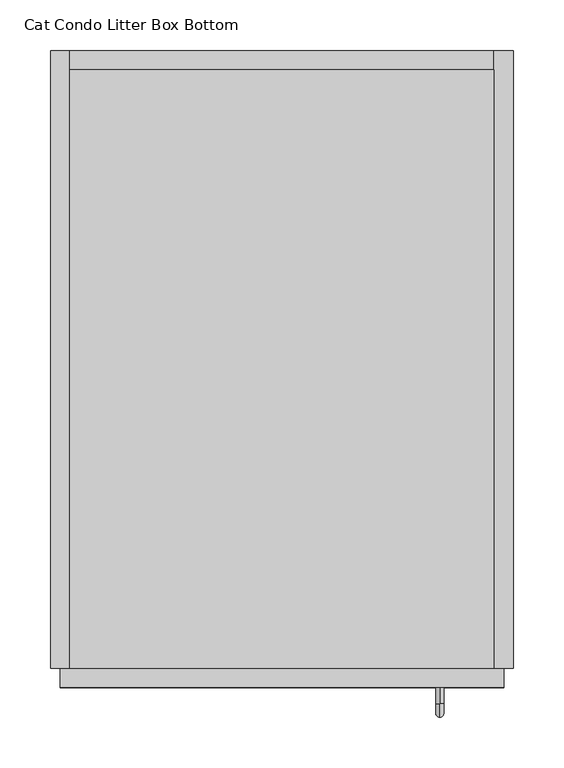
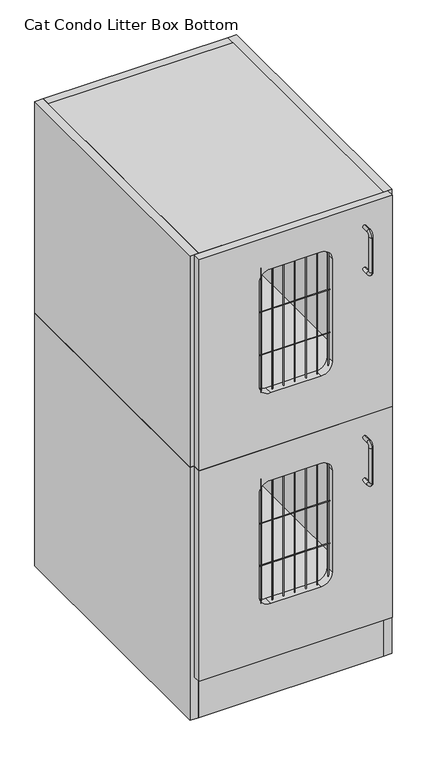
"""IFC4 building model written with IfcOpenShell, lengths in millimetres: proxy geometry, Cat Condo Litter Box Bottom."""

import ifcopenshell
import ifcopenshell.guid

model = None  # the IFC model being written
_history = None  # IfcOwnerHistory: only IFC2X3 demands one
_inside = {}  # id of a spatial element -> (the spatial element, [elements in it])
_under = {}  # id of a project, library or spatial element -> (it, [spatial elements below it])
_declared = {}  # id of a project -> (the project, [libraries it declares])
_typed = {}  # id of a type object -> (the type object, [elements of that type])
_made_of = {}  # id of a material, layer set ... -> (it, [elements and type objects made of it])


def new_model(schema):
    """Start an empty IFC model of exactly this schema.

    Asked for "IFC4X3", IfcOpenShell would pick the latest addendum, in which some entities
    have other attributes; the version numbers below select the first issue.
    IFC2X3 requires an IfcOwnerHistory on every rooted entity: one is made here for all.
    """
    global model, _history
    if schema == "IFC4X3":
        model = ifcopenshell.file(schema_version=(4, 3, 0, 0))
    else:
        model = ifcopenshell.file(schema=schema)
    _inside.clear()
    _under.clear()
    _declared.clear()
    _typed.clear()
    _made_of.clear()
    _history = None
    if model.schema == "IFC2X3":
        org = make("IfcOrganization", Name="unknown")
        user = make(
            "IfcPersonAndOrganization",
            ThePerson=make("IfcPerson", FamilyName="unknown"),
            TheOrganization=org,
        )
        app = make(
            "IfcApplication",
            ApplicationDeveloper=org,
            Version="unknown",
            ApplicationFullName="unknown",
            ApplicationIdentifier="unknown",
        )
        _history = make(
            "IfcOwnerHistory",
            OwningUser=user,
            OwningApplication=app,
            ChangeAction="ADDED",
            CreationDate=0,
        )
    return model


def make(cls, **values):
    """One entity of the class cls with the attributes given. An attribute that is None is left unset."""
    return model.create_entity(
        cls, **{name: value for name, value in values.items() if value is not None}
    )


def rooted(cls, **values):
    """An entity with a GlobalId (a new one), such as an element, a storey or a relation."""
    return make(cls, GlobalId=ifcopenshell.guid.new(), OwnerHistory=_history, **values)


def si_unit(unit_type, name, prefix=None):
    """IfcSIUnit, for example si_unit("LENGTHUNIT", "METRE", prefix="MILLI")."""
    return make("IfcSIUnit", UnitType=unit_type, Prefix=prefix, Name=name)


def assignment(units):
    """IfcUnitAssignment: the units of a project."""
    return None if units is None else make("IfcUnitAssignment", Units=units)


def point(xyz):
    """IfcCartesianPoint."""
    return None if xyz is None else make("IfcCartesianPoint", Coordinates=xyz)


def direction(xyz):
    """IfcDirection."""
    return None if xyz is None else make("IfcDirection", DirectionRatios=xyz)


def frame(location, z_axis=None, x_axis=None):
    """IfcAxis2Placement3D, a coordinate frame: its origin and axes. An axis left out is left unset."""
    return make(
        "IfcAxis2Placement3D",
        Location=point(location),
        Axis=direction(z_axis),
        RefDirection=direction(x_axis),
    )


def frame_2d(location, x_axis=None):
    """IfcAxis2Placement2D, a coordinate frame in the plane: its origin and x axis."""
    return make(
        "IfcAxis2Placement2D", Location=point(location), RefDirection=direction(x_axis)
    )


def origin():
    """The frame at (0, 0, 0) with its axes left unset."""
    return frame((0.0, 0.0, 0.0))


def origin_with_axes():
    """The frame at (0, 0, 0) with the z axis (0, 0, 1) and the x axis (1, 0, 0) written out."""
    return frame((0.0, 0.0, 0.0), z_axis=(0.0, 0.0, 1.0), x_axis=(1.0, 0.0, 0.0))


def place(relative_to, where):
    """IfcLocalPlacement: puts the frame where relative to a parent placement (None: the world)."""
    return make(
        "IfcLocalPlacement", PlacementRelTo=relative_to, RelativePlacement=where
    )


def context(
    kind, dimensions, precision=None, world=None, true_north=None, identifier=None
):
    """IfcGeometricRepresentationContext, for example the 3D "Model" context."""
    return make(
        "IfcGeometricRepresentationContext",
        ContextIdentifier=identifier,
        ContextType=kind,
        CoordinateSpaceDimension=dimensions,
        Precision=precision,
        WorldCoordinateSystem=world,
        TrueNorth=true_north,
    )


def project(units=None, contexts=None):
    """IfcProject with its units and contexts."""
    return rooted(
        "IfcProject",
        Name="project",
        RepresentationContexts=contexts,
        UnitsInContext=assignment(units),
    )


def spatial(cls, under=None, at=None, **own):
    """A site, building, storey or space (cls), placed at a placement, below another one or the project."""
    s = rooted(cls, ObjectPlacement=at, **own)
    if under is not None:
        _under.setdefault(under.id(), (under, []))[1].append(s)
    return s


def polyline(points):
    """IfcPolyline through the points."""
    return make("IfcPolyline", Points=[point(p) for p in points])


def circle_curve(where, radius):
    """IfcCircle in the frame where."""
    return make("IfcCircle", Position=where, Radius=radius)


def ellipse_curve(where, semi_axis1, semi_axis2):
    """IfcEllipse in the frame where."""
    return make(
        "IfcEllipse", Position=where, SemiAxis1=semi_axis1, SemiAxis2=semi_axis2
    )


def trimmed(basis, trim1, trim2, sense, master):
    """IfcTrimmedCurve: the piece of a basis curve between two trims."""
    return make(
        "IfcTrimmedCurve",
        BasisCurve=basis,
        Trim1=trim1,
        Trim2=trim2,
        SenseAgreement=sense,
        MasterRepresentation=master,
    )


def segment(curve, same_sense, transition):
    """IfcCompositeCurveSegment."""
    return make(
        "IfcCompositeCurveSegment",
        Transition=transition,
        SameSense=same_sense,
        ParentCurve=curve,
    )


def composite_curve(segments, self_intersect=None):
    """IfcCompositeCurve: segments joined end to end."""
    return make("IfcCompositeCurve", Segments=segments, SelfIntersect=self_intersect)


def outline(outer, holes=None, kind="AREA"):
    """IfcArbitraryClosedProfileDef: a profile drawn as a closed curve; with holes, ...WithVoids."""
    if holes is None:
        return make("IfcArbitraryClosedProfileDef", ProfileType=kind, OuterCurve=outer)
    return make(
        "IfcArbitraryProfileDefWithVoids",
        ProfileType=kind,
        OuterCurve=outer,
        InnerCurves=holes,
    )


def extrude(swept, where, along, depth):
    """IfcExtrudedAreaSolid: the profile swept, set in the frame where, extruded along a direction by depth."""
    return make(
        "IfcExtrudedAreaSolid",
        SweptArea=swept,
        Position=where,
        ExtrudedDirection=direction(along),
        Depth=depth,
    )


def shape(context_of_items, identifier, shape_type, items):
    """IfcShapeRepresentation: the items that make up one representation, for example the "Body"."""
    return make(
        "IfcShapeRepresentation",
        ContextOfItems=context_of_items,
        RepresentationIdentifier=identifier,
        RepresentationType=shape_type,
        Items=items,
    )


def source(mapping_origin, context_of_items, identifier, shape_type, items):
    """IfcRepresentationMap: a shape defined once, which mapped items show again and again."""
    return make(
        "IfcRepresentationMap",
        MappingOrigin=mapping_origin,
        MappedRepresentation=shape(context_of_items, identifier, shape_type, items),
    )


def transform(
    local_origin,
    x_axis=None,
    y_axis=None,
    z_axis=None,
    scale=None,
    scale2=None,
    scale3=None,
    uniform=True,
):
    """IfcCartesianTransformationOperator3D, or its non-uniform kind. x_axis, y_axis, z_axis: its Axis1, 2, 3."""
    if uniform:
        return make(
            "IfcCartesianTransformationOperator3D",
            Axis1=direction(x_axis),
            Axis2=direction(y_axis),
            LocalOrigin=point(local_origin),
            Scale=scale,
            Axis3=direction(z_axis),
        )
    return make(
        "IfcCartesianTransformationOperator3DnonUniform",
        Axis1=direction(x_axis),
        Axis2=direction(y_axis),
        LocalOrigin=point(local_origin),
        Scale=scale,
        Axis3=direction(z_axis),
        Scale2=scale2,
        Scale3=scale3,
    )


def mapped(mapping_source, mapping_target):
    """IfcMappedItem: shows the shape of a source again, moved by a transform."""
    return make(
        "IfcMappedItem", MappingSource=mapping_source, MappingTarget=mapping_target
    )


def made_of(thing, what):
    """Note that an element or type object is made of a material, layer set ...; save() writes the relation."""
    if what is not None:
        _made_of.setdefault(what.id(), (what, []))[1].append(thing)
    return thing


def element(
    cls,
    number,
    at=None,
    inside=None,
    cuts=None,
    type_object=None,
    material=None,
    context=None,
    identifier="Body",
    shape_type=None,
    held_by="IfcProductDefinitionShape",
    body=None,
    shapes=None,
    **own,
):
    """One element of the class cls, such as IfcWall. Its Tag is "e" and its number.

    at: its placement. inside: the storey or other place that contains it. cuts: it is an
    opening in that element (IfcRelVoidsElement). A single representation is given by context,
    identifier, shape_type and body (its items); several are given by shapes. held_by: the class
    of the entity that holds the representations. save() writes the other relations.
    """
    e = rooted(cls, Tag="e%d" % number, ObjectPlacement=at, **own)
    if body is not None:
        shapes = [shape(context, identifier, shape_type, body)]
    if shapes is not None:
        e.Representation = make(held_by, Representations=shapes)
    if inside is not None:
        _inside.setdefault(inside.id(), (inside, []))[1].append(e)
    if cuts is not None:
        rooted(
            "IfcRelVoidsElement", RelatingBuildingElement=cuts, RelatedOpeningElement=e
        )
    if type_object is not None:
        _typed.setdefault(type_object.id(), (type_object, []))[1].append(e)
    return made_of(e, material)


def aggregate(whole, parts):
    """IfcRelAggregates: a whole, such as a stair, and the parts it consists of."""
    return rooted("IfcRelAggregates", RelatingObject=whole, RelatedObjects=parts)


def save(model, path):
    """Write the relations noted so far, then the file.

    IfcRelAggregates (storeys below a building ...), IfcRelContainedInSpatialStructure (elements
    in a storey), IfcRelDefinesByType, IfcRelAssociatesMaterial and IfcRelDeclares: one each for
    every whole, place, type object, material and project.
    """
    for whole, parts in _under.values():
        aggregate(whole, parts)
    for where, things in _inside.values():
        rooted(
            "IfcRelContainedInSpatialStructure",
            RelatedElements=things,
            RelatingStructure=where,
        )
    for kind, things in _typed.values():
        rooted("IfcRelDefinesByType", RelatedObjects=things, RelatingType=kind)
    for what, things in _made_of.values():
        rooted("IfcRelAssociatesMaterial", RelatedObjects=things, RelatingMaterial=what)
    for by, libraries in _declared.values():
        rooted("IfcRelDeclares", RelatingContext=by, RelatedDefinitions=libraries)
    model.write(path)


def plane_surface(at):
    """IfcPlane: the flat surface through the origin of the frame at, square to its z axis."""
    return make("IfcPlane", Position=at)


def cylinder_surface(at, radius):
    """IfcCylindricalSurface: all points at the distance radius from the z axis of the frame at."""
    return make("IfcCylindricalSurface", Position=at, Radius=radius)


def revolved_surface(curve, axis_point, axis_direction):
    """IfcSurfaceOfRevolution: the curve turned about the line through axis_point along axis_direction."""
    return make(
        "IfcSurfaceOfRevolution",
        SweptCurve=make("IfcArbitraryOpenProfileDef", ProfileType="CURVE", Curve=curve),
        AxisPosition=make("IfcAxis1Placement", Location=point(axis_point), Axis=direction(axis_direction)),
    )


def advanced_brep(points, edges, surfaces, faces):
    """IfcAdvancedBrep: a solid bounded by faces that lie on surfaces and meet in shared edges.

    An edge is (start, end): straight between two places in points (the first is 0);
    or (start, end, curve); or (start, end, curve, False) where it runs against its curve.
    A face is (place in surfaces, loops), or (place, loops, False) where it looks against
    its surface's normal. A loop lists edges by number (the first is 1), with a minus sign
    where the edge is run from its end to its start. The first loop is the outer one.
    """
    corners = [point(p) for p in points]
    vertices = [make("IfcVertexPoint", VertexGeometry=c) for c in corners]
    made = []
    for start, end, *more in edges:
        made.append(
            make(
                "IfcEdgeCurve",
                EdgeStart=vertices[start],
                EdgeEnd=vertices[end],
                EdgeGeometry=more[0] if more else make("IfcPolyline", Points=[corners[start], corners[end]]),
                SameSense=more[1] if len(more) > 1 else True,
            )
        )
    hull = []
    for where, loops, *sense in faces:
        bounds = []
        for j, loop in enumerate(loops):
            ring = [make("IfcOrientedEdge", EdgeElement=made[abs(k) - 1], Orientation=k > 0) for k in loop]
            bounds.append(
                make(
                    "IfcFaceOuterBound" if j == 0 else "IfcFaceBound",
                    Bound=make("IfcEdgeLoop", EdgeList=ring),
                    Orientation=True,
                )
            )
        hull.append(make("IfcAdvancedFace", Bounds=bounds, FaceSurface=surfaces[where], SameSense=sense[0] if sense else True))
    return make("IfcAdvancedBrep", Outer=make("IfcClosedShell", CfsFaces=hull))


def cat_condo_litter_box_bottom_16cf5094(model_context):
    return source(origin(), model_context, "Body", "SolidModel", [
        advanced_brep(
        [(384.5819084, -19.05, 551.6993154), (384.5819084, -19.05, 559.5506846), (384.5819084, -35.2117768, 551.6993154), (384.5819084, -35.2117768, 559.5506846), (384.5819084, -48.3756846, 546.3867768), (384.5819084, -40.5243154, 546.3867768), (384.5819084, -40.5243154, 463.2632232), (384.5819084, -48.3756846, 463.2632232), (384.5819084, -35.2117768, 450.0993154), (384.5819084, -35.2117768, 457.9506846), (384.5819084, -19.05, 457.9506846), (384.5819084, -19.05, 450.0993154)],
        [
            (0, 1, circle_curve(frame((384.5819084, -19.05, 555.625), z_axis=(0.0, 1.0, 0.0), x_axis=(0.0, 0.0, 1.0)), 3.9256846)),
            (1, 0, circle_curve(frame((384.5819084, -19.05, 555.625), z_axis=(0.0, 1.0, 0.0), x_axis=(0.0, 0.0, 1.0)), 3.9256846)),
            (0, 2),
            (2, 3, circle_curve(frame((384.5819084, -35.2117768, 555.625), z_axis=(0.0, 1.0, 0.0), x_axis=(0.0, 0.0, 1.0)), 3.9256846)),
            (3, 1),
            (3, 2, circle_curve(frame((384.5819084, -35.2117768, 555.625), z_axis=(0.0, 1.0, 0.0), x_axis=(0.0, 0.0, 1.0)), 3.9256846)),
            (4, 3, circle_curve(frame((384.5819084, -35.2117768, 546.3867768), z_axis=(-1.0, 0.0, 0.0), x_axis=(0.0, 0.0, 1.0)), 13.1639078)),
            (2, 5, circle_curve(frame((384.5819084, -35.2117768, 546.3867768), z_axis=(1.0, 0.0, 0.0), x_axis=(0.0, 0.0, 1.0)), 5.3125387)),
            (5, 4, circle_curve(frame((384.5819084, -44.45, 546.3867768), z_axis=(0.0, 0.0, 1.0), x_axis=(0.0, -1.0000000000000002, 0.0)), 3.9256846)),
            (4, 5, circle_curve(frame((384.5819084, -44.45, 546.3867768), z_axis=(0.0, 0.0, 1.0), x_axis=(0.0, -1.0000000000000002, 0.0)), 3.9256846)),
            (5, 6),
            (6, 7, circle_curve(frame((384.5819084, -44.45, 463.2632232), z_axis=(0.0, 0.0, 1.0), x_axis=(0.0, -1.0000000000000002, 0.0)), 3.9256846)),
            (7, 4),
            (7, 6, circle_curve(frame((384.5819084, -44.45, 463.2632232), z_axis=(0.0, 0.0, 1.0), x_axis=(0.0, -1.0000000000000002, 0.0)), 3.9256846)),
            (8, 7, circle_curve(frame((384.5819084, -35.2117768, 463.2632232), z_axis=(-1.0, 0.0, 0.0), x_axis=(0.0, -1.0000000000000002, 0.0)), 13.1639078)),
            (6, 9, circle_curve(frame((384.5819084, -35.2117768, 463.2632232), z_axis=(1.0, 0.0, 0.0), x_axis=(0.0, -1.0000000000000002, 0.0)), 5.3125387)),
            (9, 8, circle_curve(frame((384.5819084, -35.2117768, 454.025), z_axis=(0.0, -1.0000000000000002, 0.0), x_axis=(0.0, 0.0, -1.0)), 3.9256846)),
            (8, 9, circle_curve(frame((384.5819084, -35.2117768, 454.025), z_axis=(0.0, -1.0000000000000002, 0.0), x_axis=(0.0, 0.0, -1.0)), 3.9256846)),
            (10, 11, circle_curve(frame((384.5819084, -19.05, 454.025), z_axis=(0.0, 1.0, 0.0), x_axis=(0.0, 0.0, -1.0)), 3.9256846)),
            (11, 10, circle_curve(frame((384.5819084, -19.05, 454.025), z_axis=(0.0, 1.0, 0.0), x_axis=(0.0, 0.0, -1.0)), 3.9256846)),
            (9, 10),
            (11, 8),
        ],
        [
            plane_surface(frame((384.5819084, -19.05, 555.625), z_axis=(0.0, 1.0, 0.0), x_axis=(1.0, 0.0, 0.0))),
            cylinder_surface(frame((384.5819084, -19.05, 555.625), z_axis=(0.0, 1.0000000000000002, 0.0), x_axis=(0.0, 0.0, 1.0)), 3.9256846),
            revolved_surface(trimmed(ellipse_curve(frame((384.5819084, -35.2117768, 555.625), z_axis=(0.0, 1.0000000000000002, 0.0), x_axis=(0.0, 0.0, 1.0)), 3.9256846, 3.9256846), [point((384.5819084, -35.2117768, 551.6993154))], [point((384.5819084, -35.2117768, 559.5506846))], True, "CARTESIAN"), (384.5819084, -35.2117768, 546.3867768), (1.0000000000000002, 0.0, 0.0)),
            revolved_surface(trimmed(ellipse_curve(frame((384.5819084, -35.2117768, 555.625), z_axis=(0.0, 1.0000000000000002, 0.0), x_axis=(0.0, 0.0, 1.0)), 3.9256846, 3.9256846), [point((384.5819084, -35.2117768, 559.5506846))], [point((384.5819084, -35.2117768, 551.6993154))], True, "CARTESIAN"), (384.5819084, -35.2117768, 546.3867768), (1.0000000000000002, 0.0, 0.0)),
            cylinder_surface(frame((384.5819084, -44.45, 546.3867768), z_axis=(0.0, 0.0, 1.0), x_axis=(0.0, -1.0000000000000002, 0.0)), 3.9256846),
            revolved_surface(trimmed(ellipse_curve(frame((384.5819084, -44.45, 463.2632232), z_axis=(0.0, 0.0, 1.0), x_axis=(0.0, -1.0000000000000002, 0.0)), 3.9256846, 3.9256846), [point((384.5819084, -40.5243154, 463.2632232))], [point((384.5819084, -48.3756846, 463.2632232))], True, "CARTESIAN"), (384.5819084, -35.2117768, 463.2632232), (1.0000000000000002, 0.0, 0.0)),
            revolved_surface(trimmed(ellipse_curve(frame((384.5819084, -44.45, 463.2632232), z_axis=(0.0, 0.0, 1.0), x_axis=(0.0, -1.0000000000000002, 0.0)), 3.9256846, 3.9256846), [point((384.5819084, -48.3756846, 463.2632232))], [point((384.5819084, -40.5243154, 463.2632232))], True, "CARTESIAN"), (384.5819084, -35.2117768, 463.2632232), (1.0000000000000002, 0.0, 0.0)),
            plane_surface(frame((384.5819084, -19.05, 454.025), z_axis=(0.0, 1.0, 0.0), x_axis=(1.0, 0.0, 0.0))),
            cylinder_surface(frame((384.5819084, -35.2117768, 454.025), z_axis=(0.0, -1.0000000000000002, 0.0), x_axis=(0.0, 0.0, -1.0)), 3.9256846),
        ],
        [
            (0, [[1, 2]]),
            (1, [[-1, 3, 4, 5]]),
            (1, [[-2, -5, 6, -3]]),
            (2, [[7, -4, 8, 9]]),
            (3, [[-8, -6, -7, 10]]),
            (4, [[-9, 11, 12, 13]]),
            (4, [[-10, -13, 14, -11]]),
            (5, [[15, -12, 16, 17]]),
            (6, [[-16, -14, -15, 18]]),
            (7, [[19, 20]]),
            (8, [[-17, 21, -20, 22]]),
            (8, [[-18, -22, -19, -21]]),
        ],
    ),
        extrude(outline(polyline([(438.15, 590.55), (438.15, 0.0), (19.05, 0.0), (19.05, 590.55), (438.15, 590.55)])), frame((0.0, 0.0, 587.375), z_axis=(0.0, 0.0, 1.0), x_axis=(1.0, 0.0, 0.0)), (0.0, 0.0, 1.0), 19.05),
        extrude(outline(polyline([(438.15, 0.0), (19.05, 0.0), (19.05, 590.55), (438.15, 590.55), (438.15, 0.0)])), frame((0.0, 0.0, 101.6), z_axis=(0.0, 0.0, 1.0), x_axis=(1.0, 0.0, 0.0)), (0.0, 0.0, 1.0), 19.05),
        extrude(outline(polyline([(438.15, 19.05), (438.15, 0.0), (19.05, 0.0), (19.05, 19.05), (438.15, 19.05)])), origin_with_axes(), (0.0, 0.0, 1.0), 101.6),
        extrude(outline(polyline([(438.15, 609.6), (457.2, 609.6), (457.2, 0.0), (438.15, 0.0), (438.15, 609.6)])), origin_with_axes(), (0.0, 0.0, 1.0), 606.425),
        extrude(outline(polyline([(438.15, 609.6), (438.15, 590.55), (19.05, 590.55), (19.05, 609.6), (438.15, 609.6)])), origin_with_axes(), (0.0, 0.0, 1.0), 606.425),
        extrude(outline(polyline([(19.05, 609.6), (19.05, 0.0), (0.0, 0.0), (0.0, 609.6), (19.05, 609.6)])), origin_with_axes(), (0.0, 0.0, 1.0), 606.425),
        extrude(outline(composite_curve([segment(trimmed(circle_curve(frame_2d((-9.6602248, 423.8625)), 0.79375), [point((-9.6602248, 424.65625))], [point((-9.6602248, 423.06875))], False, "CARTESIAN"), True, "CONTINUOUS"), segment(trimmed(circle_curve(frame_2d((-9.6602248, 423.8625)), 0.79375), [point((-9.6602248, 423.06875))], [point((-9.6602248, 424.65625))], False, "CARTESIAN"), True, "CONTINUOUS")], self_intersect=False)), frame((146.05, 0.0, 0.0), z_axis=(1.0, 0.0, 0.0), x_axis=(0.0, 1.0, 0.0)), (0.0, 0.0, 1.0), 165.1),
        extrude(outline(composite_curve([segment(trimmed(circle_curve(frame_2d((-9.6602248, 322.2625)), 0.79375), [point((-9.6602248, 323.05625))], [point((-9.6602248, 321.46875))], False, "CARTESIAN"), True, "CONTINUOUS"), segment(trimmed(circle_curve(frame_2d((-9.6602248, 322.2625)), 0.79375), [point((-9.6602248, 321.46875))], [point((-9.6602248, 323.05625))], False, "CARTESIAN"), True, "CONTINUOUS")], self_intersect=False)), frame((146.05, 0.0, 0.0), z_axis=(1.0, 0.0, 0.0), x_axis=(0.0, 1.0, 0.0)), (0.0, 0.0, 1.0), 165.1),
        extrude(outline(composite_curve([segment(trimmed(circle_curve(frame_2d((307.8919665, -9.6602248)), 0.79375), [point((307.0982165, -9.6602248))], [point((308.6857165, -9.6602248))], False, "CARTESIAN"), True, "CONTINUOUS"), segment(trimmed(circle_curve(frame_2d((307.8919665, -9.6602248)), 0.79375), [point((308.6857165, -9.6602248))], [point((307.0982165, -9.6602248))], False, "CARTESIAN"), True, "CONTINUOUS")], self_intersect=False)), frame((0.0, 0.0, 231.775), z_axis=(0.0, 0.0, 1.0), x_axis=(1.0, 0.0, 0.0)), (0.0, 0.0, 1.0), 298.45),
        extrude(outline(composite_curve([segment(trimmed(circle_curve(frame_2d((282.4919665, -9.6602248)), 0.79375), [point((281.6982165, -9.6602248))], [point((283.2857165, -9.6602248))], False, "CARTESIAN"), True, "CONTINUOUS"), segment(trimmed(circle_curve(frame_2d((282.4919665, -9.6602248)), 0.79375), [point((283.2857165, -9.6602248))], [point((281.6982165, -9.6602248))], False, "CARTESIAN"), True, "CONTINUOUS")], self_intersect=False)), frame((0.0, 0.0, 231.775), z_axis=(0.0, 0.0, 1.0), x_axis=(1.0, 0.0, 0.0)), (0.0, 0.0, 1.0), 298.45),
        extrude(outline(composite_curve([segment(trimmed(circle_curve(frame_2d((257.0919665, -9.6602248)), 0.79375), [point((256.2982165, -9.6602248))], [point((257.8857165, -9.6602248))], False, "CARTESIAN"), True, "CONTINUOUS"), segment(trimmed(circle_curve(frame_2d((257.0919665, -9.6602248)), 0.79375), [point((257.8857165, -9.6602248))], [point((256.2982165, -9.6602248))], False, "CARTESIAN"), True, "CONTINUOUS")], self_intersect=False)), frame((0.0, 0.0, 231.775), z_axis=(0.0, 0.0, 1.0), x_axis=(1.0, 0.0, 0.0)), (0.0, 0.0, 1.0), 298.45),
        extrude(outline(composite_curve([segment(trimmed(circle_curve(frame_2d((231.6919665, -9.6602248)), 0.79375), [point((230.8982165, -9.6602248))], [point((232.4857165, -9.6602248))], False, "CARTESIAN"), True, "CONTINUOUS"), segment(trimmed(circle_curve(frame_2d((231.6919665, -9.6602248)), 0.79375), [point((232.4857165, -9.6602248))], [point((230.8982165, -9.6602248))], False, "CARTESIAN"), True, "CONTINUOUS")], self_intersect=False)), frame((0.0, 0.0, 231.775), z_axis=(0.0, 0.0, 1.0), x_axis=(1.0, 0.0, 0.0)), (0.0, 0.0, 1.0), 298.45),
        extrude(outline(composite_curve([segment(trimmed(circle_curve(frame_2d((206.2919665, -9.6602248)), 0.79375), [point((205.4982165, -9.6602248))], [point((207.0857165, -9.6602248))], False, "CARTESIAN"), True, "CONTINUOUS"), segment(trimmed(circle_curve(frame_2d((206.2919665, -9.6602248)), 0.79375), [point((207.0857165, -9.6602248))], [point((205.4982165, -9.6602248))], False, "CARTESIAN"), True, "CONTINUOUS")], self_intersect=False)), frame((0.0, 0.0, 231.775), z_axis=(0.0, 0.0, 1.0), x_axis=(1.0, 0.0, 0.0)), (0.0, 0.0, 1.0), 298.45),
        extrude(outline(composite_curve([segment(trimmed(circle_curve(frame_2d((180.8919665, -9.6602248)), 0.79375), [point((180.0982165, -9.6602248))], [point((181.6857165, -9.6602248))], False, "CARTESIAN"), True, "CONTINUOUS"), segment(trimmed(circle_curve(frame_2d((180.8919665, -9.6602248)), 0.79375), [point((181.6857165, -9.6602248))], [point((180.0982165, -9.6602248))], False, "CARTESIAN"), True, "CONTINUOUS")], self_intersect=False)), frame((0.0, 0.0, 231.775), z_axis=(0.0, 0.0, 1.0), x_axis=(1.0, 0.0, 0.0)), (0.0, 0.0, 1.0), 298.45),
        extrude(outline(composite_curve([segment(trimmed(circle_curve(frame_2d((155.4919665, -9.6602248)), 0.79375), [point((154.6982165, -9.6602248))], [point((156.2857165, -9.6602248))], False, "CARTESIAN"), True, "CONTINUOUS"), segment(trimmed(circle_curve(frame_2d((155.4919665, -9.6602248)), 0.79375), [point((156.2857165, -9.6602248))], [point((154.6982165, -9.6602248))], False, "CARTESIAN"), True, "CONTINUOUS")], self_intersect=False)), frame((0.0, 0.0, 231.775), z_axis=(0.0, 0.0, 1.0), x_axis=(1.0, 0.0, 0.0)), (0.0, 0.0, 1.0), 298.45),
        extrude(outline(composite_curve([segment(trimmed(circle_curve(frame_2d((282.4919665, -9.6602248)), 0.79375), [point((281.6982165, -9.6602248))], [point((283.2857165, -9.6602248))], False, "CARTESIAN"), True, "CONTINUOUS"), segment(trimmed(circle_curve(frame_2d((282.4919665, -9.6602248)), 0.79375), [point((283.2857165, -9.6602248))], [point((281.6982165, -9.6602248))], False, "CARTESIAN"), True, "CONTINUOUS")], self_intersect=False)), frame((0.0, 0.0, 231.775), z_axis=(0.0, 0.0, 1.0), x_axis=(1.0, 0.0, 0.0)), (0.0, 0.0, 1.0), 298.45),
        extrude(outline(composite_curve([segment(trimmed(circle_curve(frame_2d((257.0919665, -9.6602248)), 0.79375), [point((256.2982165, -9.6602248))], [point((257.8857165, -9.6602248))], False, "CARTESIAN"), True, "CONTINUOUS"), segment(trimmed(circle_curve(frame_2d((257.0919665, -9.6602248)), 0.79375), [point((257.8857165, -9.6602248))], [point((256.2982165, -9.6602248))], False, "CARTESIAN"), True, "CONTINUOUS")], self_intersect=False)), frame((0.0, 0.0, 231.775), z_axis=(0.0, 0.0, 1.0), x_axis=(1.0, 0.0, 0.0)), (0.0, 0.0, 1.0), 298.45),
        extrude(outline(composite_curve([segment(trimmed(circle_curve(frame_2d((231.6919665, -9.6602248)), 0.79375), [point((230.8982165, -9.6602248))], [point((232.4857165, -9.6602248))], False, "CARTESIAN"), True, "CONTINUOUS"), segment(trimmed(circle_curve(frame_2d((231.6919665, -9.6602248)), 0.79375), [point((232.4857165, -9.6602248))], [point((230.8982165, -9.6602248))], False, "CARTESIAN"), True, "CONTINUOUS")], self_intersect=False)), frame((0.0, 0.0, 231.775), z_axis=(0.0, 0.0, 1.0), x_axis=(1.0, 0.0, 0.0)), (0.0, 0.0, 1.0), 298.45),
        extrude(outline(composite_curve([segment(trimmed(circle_curve(frame_2d((206.2919665, -9.6602248)), 0.79375), [point((205.4982165, -9.6602248))], [point((207.0857165, -9.6602248))], False, "CARTESIAN"), True, "CONTINUOUS"), segment(trimmed(circle_curve(frame_2d((206.2919665, -9.6602248)), 0.79375), [point((207.0857165, -9.6602248))], [point((205.4982165, -9.6602248))], False, "CARTESIAN"), True, "CONTINUOUS")], self_intersect=False)), frame((0.0, 0.0, 231.775), z_axis=(0.0, 0.0, 1.0), x_axis=(1.0, 0.0, 0.0)), (0.0, 0.0, 1.0), 298.45),
        extrude(outline(composite_curve([segment(trimmed(circle_curve(frame_2d((180.8919665, -9.6602248)), 0.79375), [point((180.0982165, -9.6602248))], [point((181.6857165, -9.6602248))], False, "CARTESIAN"), True, "CONTINUOUS"), segment(trimmed(circle_curve(frame_2d((180.8919665, -9.6602248)), 0.79375), [point((181.6857165, -9.6602248))], [point((180.0982165, -9.6602248))], False, "CARTESIAN"), True, "CONTINUOUS")], self_intersect=False)), frame((0.0, 0.0, 231.775), z_axis=(0.0, 0.0, 1.0), x_axis=(1.0, 0.0, 0.0)), (0.0, 0.0, 1.0), 298.45),
        extrude(outline(composite_curve([segment(trimmed(circle_curve(frame_2d((155.4919665, -9.6602248)), 0.79375), [point((154.6982165, -9.6602248))], [point((156.2857165, -9.6602248))], False, "CARTESIAN"), True, "CONTINUOUS"), segment(trimmed(circle_curve(frame_2d((155.4919665, -9.6602248)), 0.79375), [point((156.2857165, -9.6602248))], [point((154.6982165, -9.6602248))], False, "CARTESIAN"), True, "CONTINUOUS")], self_intersect=False)), frame((0.0, 0.0, 231.775), z_axis=(0.0, 0.0, 1.0), x_axis=(1.0, 0.0, 0.0)), (0.0, 0.0, 1.0), 298.45),
        extrude(outline(polyline([(606.425, 447.675), (606.425, 9.525), (101.6, 9.525), (101.6, 447.675), (606.425, 447.675)]), holes=[composite_curve([segment(polyline([(527.05, 171.45), (527.05, 285.75)]), True, "CONTINUOUS"), segment(trimmed(circle_curve(frame_2d((501.65, 285.75)), 25.4), [point((527.05, 285.75))], [point((501.65, 311.15))], True, "CARTESIAN"), True, "CONTINUOUS"), segment(polyline([(501.65, 311.15), (257.175, 311.15)]), True, "CONTINUOUS"), segment(trimmed(circle_curve(frame_2d((257.175, 285.75)), 25.4), [point((257.175, 311.15))], [point((231.775, 285.75))], True, "CARTESIAN"), True, "CONTINUOUS"), segment(polyline([(231.775, 285.75), (231.775, 171.45)]), True, "CONTINUOUS"), segment(trimmed(circle_curve(frame_2d((257.175, 171.45)), 25.4), [point((231.775, 171.45))], [point((257.175, 146.05))], True, "CARTESIAN"), True, "CONTINUOUS"), segment(polyline([(257.175, 146.05), (501.65, 146.05)]), True, "CONTINUOUS"), segment(trimmed(circle_curve(frame_2d((501.65, 171.45)), 25.4), [point((501.65, 146.05))], [point((527.05, 171.45))], True, "CARTESIAN"), True, "CONTINUOUS")], self_intersect=False)]), frame((0.0, -19.05, 0.0), z_axis=(0.0, 1.0, 0.0), x_axis=(0.0, 0.0, 1.0)), (0.0, 0.0, 1.0), 19.05),
        advanced_brep(
        [(384.5819084, -40.5243154, 1051.2117768), (384.5819084, -35.2117768, 1056.5243154), (384.5819084, -35.2117768, 1064.3756846), (384.5819084, -48.3756846, 1051.2117768), (384.5819084, -19.05, 1056.5243154), (384.5819084, -19.05, 1064.3756846), (384.5819084, -40.5243154, 968.0882232), (384.5819084, -48.3756846, 968.0882232), (384.5819084, -35.2117768, 954.9243154), (384.5819084, -35.2117768, 962.7756846), (384.5819084, -19.05, 962.7756846), (384.5819084, -19.05, 954.9243154)],
        [
            (0, 1, circle_curve(frame((384.5819084, -35.2117768, 1051.2117768), z_axis=(-1.0, 0.0, 0.0), x_axis=(0.0, 0.0, 1.0)), 5.3125387)),
            (1, 2, circle_curve(frame((384.5819084, -35.2117768, 1060.45), z_axis=(0.0, -1.0000000000000002, 0.0), x_axis=(0.0, 0.0, 1.0)), 3.9256846)),
            (2, 3, circle_curve(frame((384.5819084, -35.2117768, 1051.2117768), z_axis=(1.0, 0.0, 0.0), x_axis=(0.0, 0.0, 1.0)), 13.1639078)),
            (3, 0, circle_curve(frame((384.5819084, -44.45, 1051.2117768), z_axis=(0.0, 0.0, 1.0), x_axis=(0.0, -1.0000000000000002, 0.0)), 3.9256846)),
            (4, 5, circle_curve(frame((384.5819084, -19.05, 1060.45), z_axis=(0.0, 1.0, 0.0), x_axis=(0.0, 0.0, 1.0)), 3.9256846)),
            (5, 4, circle_curve(frame((384.5819084, -19.05, 1060.45), z_axis=(0.0, 1.0, 0.0), x_axis=(0.0, 0.0, 1.0)), 3.9256846)),
            (4, 1),
            (1, 2, circle_curve(frame((384.5819084, -35.2117768, 1060.45), z_axis=(0.0, 1.0, 0.0), x_axis=(0.0, 0.0, 1.0)), 3.9256846)),
            (2, 5),
            (0, 3, circle_curve(frame((384.5819084, -44.45, 1051.2117768), z_axis=(0.0, 0.0, 1.0), x_axis=(0.0, -1.0000000000000002, 0.0)), 3.9256846)),
            (0, 6),
            (6, 7, circle_curve(frame((384.5819084, -44.45, 968.0882232), z_axis=(0.0, 0.0, 1.0), x_axis=(0.0, -1.0000000000000002, 0.0)), 3.9256846)),
            (7, 3),
            (7, 6, circle_curve(frame((384.5819084, -44.45, 968.0882232), z_axis=(0.0, 0.0, 1.0), x_axis=(0.0, -1.0000000000000002, 0.0)), 3.9256846)),
            (8, 7, circle_curve(frame((384.5819084, -35.2117768, 968.0882232), z_axis=(-1.0, 0.0, 0.0), x_axis=(0.0, -1.0000000000000002, 0.0)), 13.1639078)),
            (6, 9, circle_curve(frame((384.5819084, -35.2117768, 968.0882232), z_axis=(1.0, 0.0, 0.0), x_axis=(0.0, -1.0000000000000002, 0.0)), 5.3125387)),
            (9, 8, circle_curve(frame((384.5819084, -35.2117768, 958.85), z_axis=(0.0, -1.0000000000000002, 0.0), x_axis=(0.0, 0.0, -1.0)), 3.9256846)),
            (8, 9, circle_curve(frame((384.5819084, -35.2117768, 958.85), z_axis=(0.0, -1.0000000000000002, 0.0), x_axis=(0.0, 0.0, -1.0)), 3.9256846)),
            (10, 11, circle_curve(frame((384.5819084, -19.05, 958.85), z_axis=(0.0, 1.0, 0.0), x_axis=(0.0, 0.0, -1.0)), 3.9256846)),
            (11, 10, circle_curve(frame((384.5819084, -19.05, 958.85), z_axis=(0.0, 1.0, 0.0), x_axis=(0.0, 0.0, -1.0)), 3.9256846)),
            (9, 10),
            (11, 8),
        ],
        [
            revolved_surface(trimmed(ellipse_curve(frame((384.5819084, -35.2117768, 1060.45), z_axis=(0.0, 1.0000000000000002, 0.0), x_axis=(0.0, 0.0, 1.0)), 3.9256846, 3.9256846), [point((384.5819084, -35.2117768, 1064.3756846))], [point((384.5819084, -35.2117768, 1056.5243154))], True, "CARTESIAN"), (384.5819084, -35.2117768, 1051.2117768), (1.0000000000000002, 0.0, 0.0)),
            plane_surface(frame((384.5819084, -19.05, 1060.45), z_axis=(0.0, 1.0, 0.0), x_axis=(1.0, 0.0, 0.0))),
            cylinder_surface(frame((384.5819084, -19.05, 1060.45), z_axis=(0.0, 1.0000000000000002, 0.0), x_axis=(0.0, 0.0, 1.0)), 3.9256846),
            revolved_surface(trimmed(ellipse_curve(frame((384.5819084, -35.2117768, 1060.45), z_axis=(0.0, 1.0000000000000002, 0.0), x_axis=(0.0, 0.0, 1.0)), 3.9256846, 3.9256846), [point((384.5819084, -35.2117768, 1056.5243154))], [point((384.5819084, -35.2117768, 1064.3756846))], True, "CARTESIAN"), (384.5819084, -35.2117768, 1051.2117768), (1.0000000000000002, 0.0, 0.0)),
            cylinder_surface(frame((384.5819084, -44.45, 1051.2117768), z_axis=(0.0, 0.0, 1.0), x_axis=(0.0, -1.0000000000000002, 0.0)), 3.9256846),
            revolved_surface(trimmed(ellipse_curve(frame((384.5819084, -44.45, 968.0882232), z_axis=(0.0, 0.0, 1.0), x_axis=(0.0, -1.0000000000000002, 0.0)), 3.9256846, 3.9256846), [point((384.5819084, -40.5243154, 968.0882232))], [point((384.5819084, -48.3756846, 968.0882232))], True, "CARTESIAN"), (384.5819084, -35.2117768, 968.0882232), (1.0000000000000002, 0.0, 0.0)),
            revolved_surface(trimmed(ellipse_curve(frame((384.5819084, -44.45, 968.0882232), z_axis=(0.0, 0.0, 1.0), x_axis=(0.0, -1.0000000000000002, 0.0)), 3.9256846, 3.9256846), [point((384.5819084, -48.3756846, 968.0882232))], [point((384.5819084, -40.5243154, 968.0882232))], True, "CARTESIAN"), (384.5819084, -35.2117768, 968.0882232), (1.0000000000000002, 0.0, 0.0)),
            plane_surface(frame((384.5819084, -19.05, 958.85), z_axis=(0.0, 1.0, 0.0), x_axis=(1.0, 0.0, 0.0))),
            cylinder_surface(frame((384.5819084, -35.2117768, 958.85), z_axis=(0.0, -1.0000000000000002, 0.0), x_axis=(0.0, 0.0, -1.0)), 3.9256846),
        ],
        [
            (0, [[1, 2, 3, 4]]),
            (1, [[5, 6]]),
            (2, [[-5, 7, 8, 9]]),
            (2, [[-6, -9, -2, -7]]),
            (3, [[-3, -8, -1, 10]]),
            (4, [[-10, 11, 12, 13]]),
            (4, [[-4, -13, 14, -11]]),
            (5, [[15, -12, 16, 17]]),
            (6, [[-16, -14, -15, 18]]),
            (7, [[19, 20]]),
            (8, [[-17, 21, -20, 22]]),
            (8, [[-18, -22, -19, -21]]),
        ],
    ),
        extrude(outline(polyline([(438.15, 590.55), (438.15, 0.0), (19.05, 0.0), (19.05, 590.55), (438.15, 590.55)])), frame((0.0, 0.0, 1093.7875), z_axis=(0.0, 0.0, 1.0), x_axis=(1.0, 0.0, 0.0)), (0.0, 0.0, 1.0), 19.05),
        extrude(outline(polyline([(438.15, 0.0), (19.05, 0.0), (19.05, 590.55), (438.15, 590.55), (438.15, 0.0)])), frame((0.0, 0.0, 606.425), z_axis=(0.0, 0.0, 1.0), x_axis=(1.0, 0.0, 0.0)), (0.0, 0.0, 1.0), 19.05),
        extrude(outline(polyline([(438.15, 609.6), (457.2, 609.6), (457.2, 0.0), (438.15, 0.0), (438.15, 609.6)])), frame((0.0, 0.0, 606.425), z_axis=(0.0, 0.0, 1.0), x_axis=(1.0, 0.0, 0.0)), (0.0, 0.0, 1.0), 506.4125),
        extrude(outline(polyline([(438.15, 609.6), (438.15, 590.55), (19.05, 590.55), (19.05, 609.6), (438.15, 609.6)])), frame((0.0, 0.0, 606.425), z_axis=(0.0, 0.0, 1.0), x_axis=(1.0, 0.0, 0.0)), (0.0, 0.0, 1.0), 506.4125),
        extrude(outline(polyline([(19.05, 609.6), (19.05, 0.0), (0.0, 0.0), (0.0, 609.6), (19.05, 609.6)])), frame((0.0, 0.0, 606.425), z_axis=(0.0, 0.0, 1.0), x_axis=(1.0, 0.0, 0.0)), (0.0, 0.0, 1.0), 506.4125),
        extrude(outline(composite_curve([segment(trimmed(circle_curve(frame_2d((-9.6602248, 930.275)), 0.79375), [point((-9.6602248, 931.06875))], [point((-9.6602248, 929.48125))], False, "CARTESIAN"), True, "CONTINUOUS"), segment(trimmed(circle_curve(frame_2d((-9.6602248, 930.275)), 0.79375), [point((-9.6602248, 929.48125))], [point((-9.6602248, 931.06875))], False, "CARTESIAN"), True, "CONTINUOUS")], self_intersect=False)), frame((146.05, 0.0, 0.0), z_axis=(1.0, 0.0, 0.0), x_axis=(0.0, 1.0, 0.0)), (0.0, 0.0, 1.0), 165.1),
        extrude(outline(composite_curve([segment(trimmed(circle_curve(frame_2d((-9.6602248, 827.0875)), 0.79375), [point((-9.6602248, 827.88125))], [point((-9.6602248, 826.29375))], False, "CARTESIAN"), True, "CONTINUOUS"), segment(trimmed(circle_curve(frame_2d((-9.6602248, 827.0875)), 0.79375), [point((-9.6602248, 826.29375))], [point((-9.6602248, 827.88125))], False, "CARTESIAN"), True, "CONTINUOUS")], self_intersect=False)), frame((146.05, 0.0, 0.0), z_axis=(1.0, 0.0, 0.0), x_axis=(0.0, 1.0, 0.0)), (0.0, 0.0, 1.0), 165.1),
        extrude(outline(composite_curve([segment(trimmed(circle_curve(frame_2d((307.8919665, -9.6602248)), 0.79375), [point((307.0982165, -9.6602248))], [point((308.6857165, -9.6602248))], False, "CARTESIAN"), True, "CONTINUOUS"), segment(trimmed(circle_curve(frame_2d((307.8919665, -9.6602248)), 0.79375), [point((308.6857165, -9.6602248))], [point((307.0982165, -9.6602248))], False, "CARTESIAN"), True, "CONTINUOUS")], self_intersect=False)), frame((0.0, 0.0, 736.6), z_axis=(0.0, 0.0, 1.0), x_axis=(1.0, 0.0, 0.0)), (0.0, 0.0, 1.0), 298.45),
        extrude(outline(composite_curve([segment(trimmed(circle_curve(frame_2d((282.4919665, -9.6602248)), 0.79375), [point((281.6982165, -9.6602248))], [point((283.2857165, -9.6602248))], False, "CARTESIAN"), True, "CONTINUOUS"), segment(trimmed(circle_curve(frame_2d((282.4919665, -9.6602248)), 0.79375), [point((283.2857165, -9.6602248))], [point((281.6982165, -9.6602248))], False, "CARTESIAN"), True, "CONTINUOUS")], self_intersect=False)), frame((0.0, 0.0, 736.6), z_axis=(0.0, 0.0, 1.0), x_axis=(1.0, 0.0, 0.0)), (0.0, 0.0, 1.0), 298.45),
        extrude(outline(composite_curve([segment(trimmed(circle_curve(frame_2d((257.0919665, -9.6602248)), 0.79375), [point((256.2982165, -9.6602248))], [point((257.8857165, -9.6602248))], False, "CARTESIAN"), True, "CONTINUOUS"), segment(trimmed(circle_curve(frame_2d((257.0919665, -9.6602248)), 0.79375), [point((257.8857165, -9.6602248))], [point((256.2982165, -9.6602248))], False, "CARTESIAN"), True, "CONTINUOUS")], self_intersect=False)), frame((0.0, 0.0, 736.6), z_axis=(0.0, 0.0, 1.0), x_axis=(1.0, 0.0, 0.0)), (0.0, 0.0, 1.0), 298.45),
        extrude(outline(composite_curve([segment(trimmed(circle_curve(frame_2d((231.6919665, -9.6602248)), 0.79375), [point((230.8982165, -9.6602248))], [point((232.4857165, -9.6602248))], False, "CARTESIAN"), True, "CONTINUOUS"), segment(trimmed(circle_curve(frame_2d((231.6919665, -9.6602248)), 0.79375), [point((232.4857165, -9.6602248))], [point((230.8982165, -9.6602248))], False, "CARTESIAN"), True, "CONTINUOUS")], self_intersect=False)), frame((0.0, 0.0, 736.6), z_axis=(0.0, 0.0, 1.0), x_axis=(1.0, 0.0, 0.0)), (0.0, 0.0, 1.0), 298.45),
        extrude(outline(composite_curve([segment(trimmed(circle_curve(frame_2d((206.2919665, -9.6602248)), 0.79375), [point((205.4982165, -9.6602248))], [point((207.0857165, -9.6602248))], False, "CARTESIAN"), True, "CONTINUOUS"), segment(trimmed(circle_curve(frame_2d((206.2919665, -9.6602248)), 0.79375), [point((207.0857165, -9.6602248))], [point((205.4982165, -9.6602248))], False, "CARTESIAN"), True, "CONTINUOUS")], self_intersect=False)), frame((0.0, 0.0, 736.6), z_axis=(0.0, 0.0, 1.0), x_axis=(1.0, 0.0, 0.0)), (0.0, 0.0, 1.0), 298.45),
        extrude(outline(composite_curve([segment(trimmed(circle_curve(frame_2d((180.8919665, -9.6602248)), 0.79375), [point((180.0982165, -9.6602248))], [point((181.6857165, -9.6602248))], False, "CARTESIAN"), True, "CONTINUOUS"), segment(trimmed(circle_curve(frame_2d((180.8919665, -9.6602248)), 0.79375), [point((181.6857165, -9.6602248))], [point((180.0982165, -9.6602248))], False, "CARTESIAN"), True, "CONTINUOUS")], self_intersect=False)), frame((0.0, 0.0, 736.6), z_axis=(0.0, 0.0, 1.0), x_axis=(1.0, 0.0, 0.0)), (0.0, 0.0, 1.0), 298.45),
        extrude(outline(composite_curve([segment(trimmed(circle_curve(frame_2d((155.4919665, -9.6602248)), 0.79375), [point((154.6982165, -9.6602248))], [point((156.2857165, -9.6602248))], False, "CARTESIAN"), True, "CONTINUOUS"), segment(trimmed(circle_curve(frame_2d((155.4919665, -9.6602248)), 0.79375), [point((156.2857165, -9.6602248))], [point((154.6982165, -9.6602248))], False, "CARTESIAN"), True, "CONTINUOUS")], self_intersect=False)), frame((0.0, 0.0, 736.6), z_axis=(0.0, 0.0, 1.0), x_axis=(1.0, 0.0, 0.0)), (0.0, 0.0, 1.0), 298.45),
        extrude(outline(composite_curve([segment(trimmed(circle_curve(frame_2d((282.4919665, -9.6602248)), 0.79375), [point((281.6982165, -9.6602248))], [point((283.2857165, -9.6602248))], False, "CARTESIAN"), True, "CONTINUOUS"), segment(trimmed(circle_curve(frame_2d((282.4919665, -9.6602248)), 0.79375), [point((283.2857165, -9.6602248))], [point((281.6982165, -9.6602248))], False, "CARTESIAN"), True, "CONTINUOUS")], self_intersect=False)), frame((0.0, 0.0, 736.6), z_axis=(0.0, 0.0, 1.0), x_axis=(1.0, 0.0, 0.0)), (0.0, 0.0, 1.0), 298.45),
        extrude(outline(composite_curve([segment(trimmed(circle_curve(frame_2d((257.0919665, -9.6602248)), 0.79375), [point((256.2982165, -9.6602248))], [point((257.8857165, -9.6602248))], False, "CARTESIAN"), True, "CONTINUOUS"), segment(trimmed(circle_curve(frame_2d((257.0919665, -9.6602248)), 0.79375), [point((257.8857165, -9.6602248))], [point((256.2982165, -9.6602248))], False, "CARTESIAN"), True, "CONTINUOUS")], self_intersect=False)), frame((0.0, 0.0, 736.6), z_axis=(0.0, 0.0, 1.0), x_axis=(1.0, 0.0, 0.0)), (0.0, 0.0, 1.0), 298.45),
        extrude(outline(composite_curve([segment(trimmed(circle_curve(frame_2d((231.6919665, -9.6602248)), 0.79375), [point((230.8982165, -9.6602248))], [point((232.4857165, -9.6602248))], False, "CARTESIAN"), True, "CONTINUOUS"), segment(trimmed(circle_curve(frame_2d((231.6919665, -9.6602248)), 0.79375), [point((232.4857165, -9.6602248))], [point((230.8982165, -9.6602248))], False, "CARTESIAN"), True, "CONTINUOUS")], self_intersect=False)), frame((0.0, 0.0, 736.6), z_axis=(0.0, 0.0, 1.0), x_axis=(1.0, 0.0, 0.0)), (0.0, 0.0, 1.0), 298.45),
        extrude(outline(composite_curve([segment(trimmed(circle_curve(frame_2d((206.2919665, -9.6602248)), 0.79375), [point((205.4982165, -9.6602248))], [point((207.0857165, -9.6602248))], False, "CARTESIAN"), True, "CONTINUOUS"), segment(trimmed(circle_curve(frame_2d((206.2919665, -9.6602248)), 0.79375), [point((207.0857165, -9.6602248))], [point((205.4982165, -9.6602248))], False, "CARTESIAN"), True, "CONTINUOUS")], self_intersect=False)), frame((0.0, 0.0, 736.6), z_axis=(0.0, 0.0, 1.0), x_axis=(1.0, 0.0, 0.0)), (0.0, 0.0, 1.0), 298.45),
        extrude(outline(composite_curve([segment(trimmed(circle_curve(frame_2d((180.8919665, -9.6602248)), 0.79375), [point((180.0982165, -9.6602248))], [point((181.6857165, -9.6602248))], False, "CARTESIAN"), True, "CONTINUOUS"), segment(trimmed(circle_curve(frame_2d((180.8919665, -9.6602248)), 0.79375), [point((181.6857165, -9.6602248))], [point((180.0982165, -9.6602248))], False, "CARTESIAN"), True, "CONTINUOUS")], self_intersect=False)), frame((0.0, 0.0, 736.6), z_axis=(0.0, 0.0, 1.0), x_axis=(1.0, 0.0, 0.0)), (0.0, 0.0, 1.0), 298.45),
        extrude(outline(composite_curve([segment(trimmed(circle_curve(frame_2d((155.4919665, -9.6602248)), 0.79375), [point((154.6982165, -9.6602248))], [point((156.2857165, -9.6602248))], False, "CARTESIAN"), True, "CONTINUOUS"), segment(trimmed(circle_curve(frame_2d((155.4919665, -9.6602248)), 0.79375), [point((156.2857165, -9.6602248))], [point((154.6982165, -9.6602248))], False, "CARTESIAN"), True, "CONTINUOUS")], self_intersect=False)), frame((0.0, 0.0, 736.6), z_axis=(0.0, 0.0, 1.0), x_axis=(1.0, 0.0, 0.0)), (0.0, 0.0, 1.0), 298.45),
        extrude(outline(polyline([(1112.8375, 447.675), (1112.8375, 9.525), (606.425, 9.525), (606.425, 447.675), (1112.8375, 447.675)]), holes=[composite_curve([segment(polyline([(1033.4625, 171.45), (1033.4625, 285.75)]), True, "CONTINUOUS"), segment(trimmed(circle_curve(frame_2d((1008.0625, 285.75)), 25.4), [point((1033.4625, 285.75))], [point((1008.0625, 311.15))], True, "CARTESIAN"), True, "CONTINUOUS"), segment(polyline([(1008.0625, 311.15), (762.0, 311.15)]), True, "CONTINUOUS"), segment(trimmed(circle_curve(frame_2d((762.0, 285.75)), 25.4), [point((762.0, 311.15))], [point((736.6, 285.75))], True, "CARTESIAN"), True, "CONTINUOUS"), segment(polyline([(736.6, 285.75), (736.6, 171.45)]), True, "CONTINUOUS"), segment(trimmed(circle_curve(frame_2d((762.0, 171.45)), 25.4), [point((736.6, 171.45))], [point((762.0, 146.05))], True, "CARTESIAN"), True, "CONTINUOUS"), segment(polyline([(762.0, 146.05), (1008.0625, 146.05)]), True, "CONTINUOUS"), segment(trimmed(circle_curve(frame_2d((1008.0625, 171.45)), 25.4), [point((1008.0625, 146.05))], [point((1033.4625, 171.45))], True, "CARTESIAN"), True, "CONTINUOUS")], self_intersect=False)]), frame((0.0, -19.05, 0.0), z_axis=(0.0, 1.0, 0.0), x_axis=(0.0, 0.0, 1.0)), (0.0, 0.0, 1.0), 19.05),
    ])


if __name__ == "__main__":
    model = new_model("IFC4")
    model_context = context("Model", 3, world=origin())
    ifc_project = project(units=[si_unit("LENGTHUNIT", "METRE", prefix="MILLI")], contexts=[model_context])
    site = spatial("IfcSite", under=ifc_project)
    building = spatial("IfcBuilding", under=site)
    placement = place(None, origin())
    cat_condo_litter_box_bottom_shape = cat_condo_litter_box_bottom_16cf5094(model_context)
    element("IfcBuildingElementProxy", 1, Name="Cat Condo Litter Box Bottom", ObjectType="Cat Condo Litter Box Bottom", at=placement, inside=building, context=model_context, shape_type="MappedRepresentation", body=[
        mapped(cat_condo_litter_box_bottom_shape, transform((0.0, 0.0, 0.0), x_axis=(1.0, 0.0, 0.0), y_axis=(0.0, 1.0, 0.0), z_axis=(0.0, 0.0, 1.0))),
    ])
    save(model, "model.ifc")
